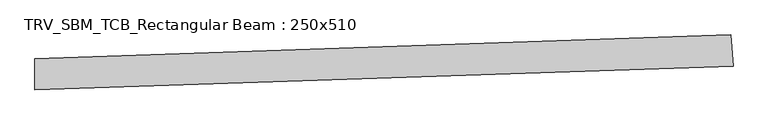
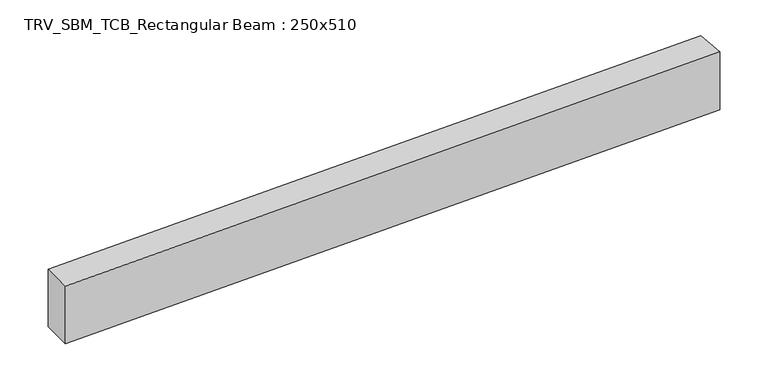
"""IFC4 building model written with IfcOpenShell, lengths in millimetres: beam geometry, TRV_SBM_TCB_Rectangular Beam : 250x510."""

from ifc_helpers import new_model, si_unit, point, frame, frame_2d, origin, place, context, project, spatial, polyline, circle_curve, trimmed, segment, composite_curve, outline, extrude, source, transform, mapped, element, save


def trv_sbm_tcb_rectangular_beam_250x510_868380c2(model_context):
    return source(origin(), model_context, "Body", "SweptSolid", [
        extrude(outline(composite_curve([segment(polyline([(5563.3668599, 316.0433189), (5580.5163946, 66.6322256)]), True, "CONTINUOUS"), segment(trimmed(circle_curve(frame_2d((0.0, 81225.8428656)), 81350.8428656), [point((5580.5163946, 66.6322256))], [point((-12.7209606, -124.9990054))], False, "CARTESIAN"), True, "CONTINUOUS"), segment(polyline([(-12.7209606, -124.9990054), (-12.6818677, 125.0009915)]), True, "CONTINUOUS"), segment(trimmed(circle_curve(frame_2d((0.0, 81225.8428656)), 81100.8428656), [point((-12.6818677, 125.0009915))], [point((5563.3668599, 316.0433189))], True, "CARTESIAN"), True, "CONTINUOUS")], self_intersect=False)), frame((0.0, 0.0, -255.0), z_axis=(0.0, 0.0, 1.0), x_axis=(1.0, 0.0, 0.0)), (0.0, 0.0, 1.0), 510.0),
    ])


if __name__ == "__main__":
    model = new_model("IFC4")
    model_context = context("Model", 3, world=origin())
    ifc_project = project(units=[si_unit("LENGTHUNIT", "METRE", prefix="MILLI")], contexts=[model_context])
    site = spatial("IfcSite", under=ifc_project)
    building = spatial("IfcBuilding", under=site)
    placement = place(None, origin())
    trv_sbm_tcb_rectangular_beam_250x510_shape = trv_sbm_tcb_rectangular_beam_250x510_868380c2(model_context)
    element("IfcBeam", 1, ObjectType="TRV_SBM_TCB_Rectangular Beam : 250x510", at=placement, inside=building, context=model_context, shape_type="MappedRepresentation", body=[
        mapped(trv_sbm_tcb_rectangular_beam_250x510_shape, transform((0.0, 0.0, 0.0), x_axis=(1.0, 0.0, 0.0), y_axis=(0.0, 1.0, 0.0), z_axis=(0.0, 0.0, 1.0))),
    ])
    save(model, "model.ifc")
